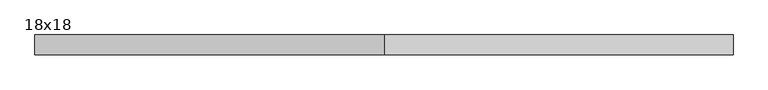
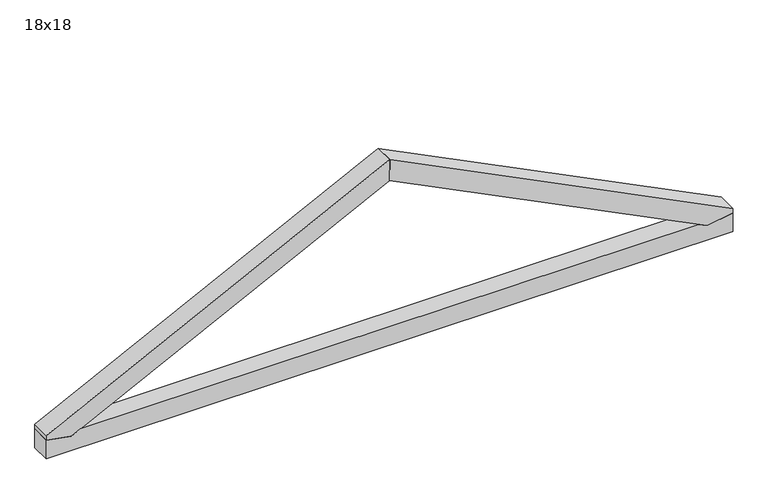
"""IFC4 building model written with IfcOpenShell, lengths in millimetres: beam geometry, 18x18."""

from ifc_helpers import new_model, si_unit, frame, origin, place, context, project, spatial, polyline, outline, extrude, source, transform, mapped, element, save


def beam_18x18_7d5d9f43(model_context):
    return source(origin(), model_context, "Body", "SweptSolid", [
        extrude(outline(polyline([(55.0, -3146.5), (-125.0, -3146.5), (-125.0, 3146.5), (55.0, 3146.5), (14.2646649, 2915.4784343), (55.0, 2834.007764), (55.0, -2834.007764), (14.2646649, -2915.4784343), (55.0, -3146.5)])), frame((0.0, -90.0, 0.0), z_axis=(0.0, 1.0, 0.0), x_axis=(0.0, 0.0, 1.0)), (0.0, 0.0, 1.0), 180.0),
        extrude(outline(polyline([(1671.5997405, 3.300519), (1471.1787523, 1.6502595), (14.2646649, 2915.4784343), (55.0, 3146.5), (100.0, 3146.5), (1671.5997405, 3.300519)])), frame((0.0, -90.0, 0.0), z_axis=(0.0, 1.0, 0.0), x_axis=(0.0, 0.0, 1.0)), (0.0, 0.0, 1.0), 180.0),
        extrude(outline(polyline([(1472.003882, 0.0), (1673.25, 0.0), (100.0, -3146.5), (55.0, -3146.5), (14.2646649, -2915.4784343), (1472.003882, 0.0)])), frame((0.0, -90.0, 0.0), z_axis=(0.0, 1.0, 0.0), x_axis=(0.0, 0.0, 1.0)), (0.0, 0.0, 1.0), 180.0),
    ])


if __name__ == "__main__":
    model = new_model("IFC4")
    model_context = context("Model", 3, world=origin())
    ifc_project = project(units=[si_unit("LENGTHUNIT", "METRE", prefix="MILLI")], contexts=[model_context])
    site = spatial("IfcSite", under=ifc_project)
    building = spatial("IfcBuilding", under=site)
    placement = place(None, origin())
    beam_18x18_shape = beam_18x18_7d5d9f43(model_context)
    element("IfcBeam", 1, ObjectType="18x18", at=placement, inside=building, context=model_context, shape_type="MappedRepresentation", body=[
        mapped(beam_18x18_shape, transform((0.0, 0.0, 0.0), x_axis=(1.0, 0.0, 0.0), y_axis=(0.0, 1.0, 0.0), z_axis=(0.0, 0.0, 1.0))),
    ])
    save(model, "model.ifc")
